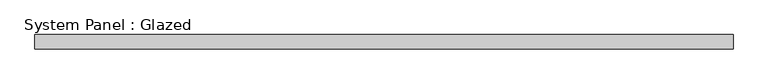
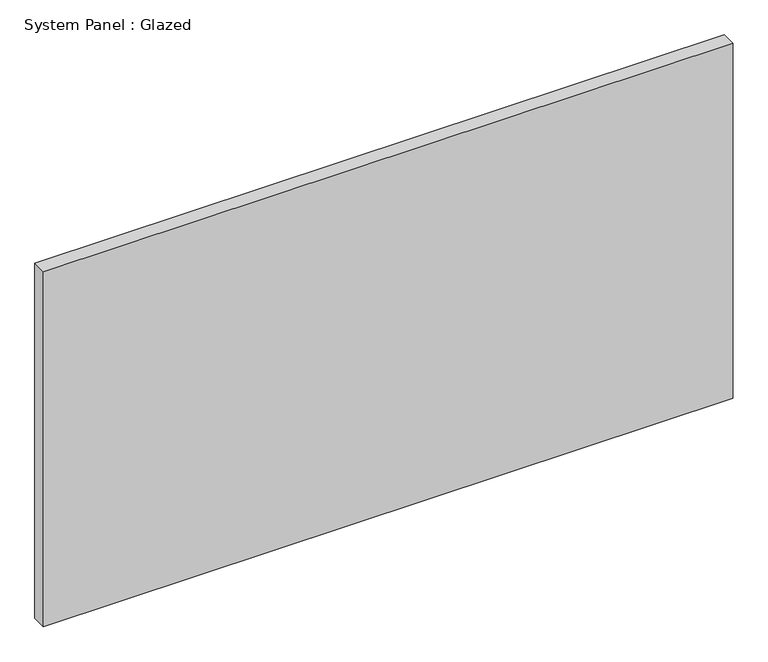
"""IFC4 building model written with IfcOpenShell, lengths in millimetres: plate geometry, System Panel : Glazed."""

from ifc_helpers import new_model, si_unit, origin, origin_with_axes, place, context, project, spatial, polyline, outline, extrude, source, transform, mapped, element, save


def system_panel_glazed_8f5c5dd1(model_context):
    return source(origin(), model_context, "Body", "SweptSolid", [
        extrude(outline(polyline([(612.7750001, 19.05), (-612.7750001, 19.05), (-612.7750001, 44.45), (612.7750001, 44.45), (612.7750001, 19.05)])), origin_with_axes(), (0.0, 0.0, 1.0), 666.75),
    ])


if __name__ == "__main__":
    model = new_model("IFC4")
    model_context = context("Model", 3, world=origin())
    ifc_project = project(units=[si_unit("LENGTHUNIT", "METRE", prefix="MILLI")], contexts=[model_context])
    site = spatial("IfcSite", under=ifc_project)
    building = spatial("IfcBuilding", under=site)
    placement = place(None, origin())
    system_panel_glazed_shape = system_panel_glazed_8f5c5dd1(model_context)
    element("IfcPlate", 1, ObjectType="System Panel : Glazed", at=placement, inside=building, context=model_context, shape_type="MappedRepresentation", body=[
        mapped(system_panel_glazed_shape, transform((0.0, 0.0, 0.0), x_axis=(1.0, 0.0, 0.0), y_axis=(0.0, 1.0, 0.0), z_axis=(0.0, 0.0, 1.0))),
    ])
    save(model, "model.ifc")
